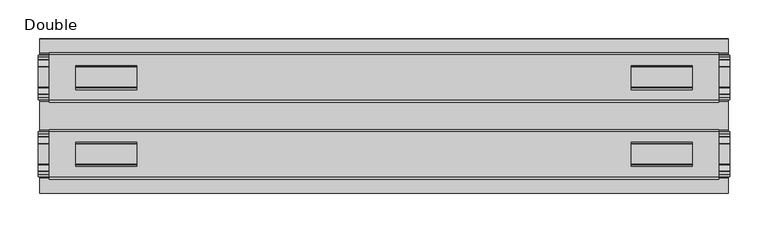
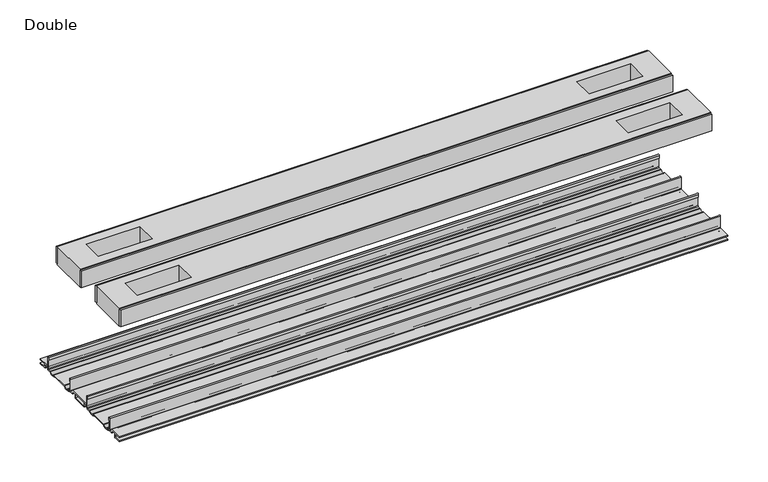
"""IFC4 building model written with IfcOpenShell, lengths in millimetres: proxy geometry, Double."""

from ifc_helpers import new_model, si_unit, point, frame, frame_2d, origin, place, context, project, spatial, polyline, circle_curve, trimmed, segment, composite_curve, outline, extrude, source, transform, mapped, element, save


def double_14c457a7(model_context):
    return source(origin(), model_context, "Body", "SweptSolid", [
        extrude(outline(composite_curve([segment(polyline([(-78.8225461, -7.7516037), (-78.8225461, 9.8607558)]), True, "CONTINUOUS"), segment(trimmed(circle_curve(frame_2d((-77.6033482, 9.8607558)), 1.2191979), [point((-78.8225461, 9.8607558))], [point((-76.3841503, 9.8607558))], False, "CARTESIAN"), True, "CONTINUOUS"), segment(polyline([(-76.3841503, 9.8607558), (-76.3841503, 5.9999563), (-77.6643269, 5.9999563), (-77.6643269, -7.7516037)]), True, "CONTINUOUS"), segment(trimmed(circle_curve(frame_2d((-76.6483061, -7.7516037)), 1.0160208), [point((-77.6643269, -7.7516037))], [point((-76.6548232, -8.7676036))], True, "CARTESIAN"), True, "CONTINUOUS"), segment(polyline([(-76.6548232, -8.7676036), (-72.7118726, -8.7676036), (-71.7985108, -8.968753)]), True, "CONTINUOUS"), segment(trimmed(circle_curve(frame_2d((-67.7735521, -6.1259382)), 4.9276657), [point((-71.7985108, -8.968753))], [point((-63.7485934, -8.968753))], True, "CARTESIAN"), True, "CONTINUOUS"), segment(polyline([(-63.7485934, -8.968753), (-62.8352226, -8.7676036), (-36.7962778, -8.7676036), (-35.8829069, -8.968753)]), True, "CONTINUOUS"), segment(trimmed(circle_curve(frame_2d((-31.8579482, -6.1259382)), 4.9276657), [point((-35.8829069, -8.968753))], [point((-27.8329895, -8.968753))], True, "CARTESIAN"), True, "CONTINUOUS"), segment(polyline([(-27.8329895, -8.968753), (-26.9196277, -8.7676036), (-22.9766772, -8.7676036)]), True, "CONTINUOUS"), segment(trimmed(circle_curve(frame_2d((-22.9831943, -7.7516037)), 1.0160208), [point((-22.9766772, -8.7676036))], [point((-21.9671735, -7.7516037))], True, "CARTESIAN"), True, "CONTINUOUS"), segment(polyline([(-21.9671735, -7.7516037), (-21.9671735, 5.9999563), (-23.2473501, 5.9999563), (-23.2473501, 9.8607558)]), True, "CONTINUOUS"), segment(trimmed(circle_curve(frame_2d((-22.0281522, 9.8607558)), 1.2191979), [point((-23.2473501, 9.8607558))], [point((-20.8089542, 9.8607558))], False, "CARTESIAN"), True, "CONTINUOUS"), segment(polyline([(-20.8089542, 9.8607558), (-20.8089542, -7.7516037)]), True, "CONTINUOUS"), segment(trimmed(circle_curve(frame_2d((-22.9831943, -7.7516037)), 2.17424), [point((-20.8089542, -7.7516037))], [point((-22.9831943, -9.9258438))], False, "CARTESIAN"), True, "CONTINUOUS"), segment(polyline([(-22.9831943, -9.9258438), (-27.274181, -9.9258438)]), True, "CONTINUOUS"), segment(trimmed(circle_curve(frame_2d((-31.8545955, -6.4800016)), 5.7318431), [point((-27.274181, -9.9258438))], [point((-36.43501, -9.9258438))], False, "CARTESIAN"), True, "CONTINUOUS"), segment(polyline([(-36.43501, -9.9258438), (-63.1964904, -9.9258438)]), True, "CONTINUOUS"), segment(trimmed(circle_curve(frame_2d((-67.7769049, -6.4800016)), 5.7318431), [point((-63.1964904, -9.9258438))], [point((-72.3573194, -9.9258438))], False, "CARTESIAN"), True, "CONTINUOUS"), segment(polyline([(-72.3573194, -9.9258438), (-76.6483061, -9.9258438)]), True, "CONTINUOUS"), segment(trimmed(circle_curve(frame_2d((-76.6483061, -7.7516037)), 2.17424), [point((-76.6483061, -9.9258438))], [point((-78.8225461, -7.7516037))], False, "CARTESIAN"), True, "CONTINUOUS")], self_intersect=False)), frame((-448.9044872, 0.0, 0.0), z_axis=(1.0, 0.0, 0.0), x_axis=(0.0, 1.0, 0.0)), (0.0, 0.0, 1.0), 897.8089744),
        extrude(outline(composite_curve([segment(trimmed(circle_curve(frame_2d((77.0293057, -7.7516037)), 2.17424), [point((79.2035458, -7.7516037))], [point((77.0293057, -9.9258438))], False, "CARTESIAN"), True, "CONTINUOUS"), segment(polyline([(77.0293057, -9.9258438), (72.738319, -9.9258438)]), True, "CONTINUOUS"), segment(trimmed(circle_curve(frame_2d((68.1579045, -6.4800016)), 5.7318431), [point((72.738319, -9.9258438))], [point((63.57749, -9.9258438))], False, "CARTESIAN"), True, "CONTINUOUS"), segment(polyline([(63.57749, -9.9258438), (36.8160096, -9.9258438)]), True, "CONTINUOUS"), segment(trimmed(circle_curve(frame_2d((32.2355951, -6.4800016)), 5.7318431), [point((36.8160096, -9.9258438))], [point((27.6551806, -9.9258438))], False, "CARTESIAN"), True, "CONTINUOUS"), segment(polyline([(27.6551806, -9.9258438), (23.3641939, -9.9258438)]), True, "CONTINUOUS"), segment(trimmed(circle_curve(frame_2d((23.3641939, -7.7516037)), 2.17424), [point((23.3641939, -9.9258438))], [point((21.1899539, -7.7516037))], False, "CARTESIAN"), True, "CONTINUOUS"), segment(polyline([(21.1899539, -7.7516037), (21.1899539, 9.8607558)]), True, "CONTINUOUS"), segment(trimmed(circle_curve(frame_2d((22.4091518, 9.8607558)), 1.2191979), [point((21.1899539, 9.8607558))], [point((23.6283497, 9.8607558))], False, "CARTESIAN"), True, "CONTINUOUS"), segment(polyline([(23.6283497, 9.8607558), (23.6283497, 5.9999563), (22.3481731, 5.9999563), (22.3481731, -7.7516037)]), True, "CONTINUOUS"), segment(trimmed(circle_curve(frame_2d((23.3641939, -7.7516037)), 1.0160208), [point((22.3481731, -7.7516037))], [point((23.3576768, -8.7676036))], True, "CARTESIAN"), True, "CONTINUOUS"), segment(polyline([(23.3576768, -8.7676036), (27.3006274, -8.7676036), (28.2139892, -8.968753)]), True, "CONTINUOUS"), segment(trimmed(circle_curve(frame_2d((32.2389479, -6.1259382)), 4.9276657), [point((28.2139892, -8.968753))], [point((36.2639066, -8.968753))], True, "CARTESIAN"), True, "CONTINUOUS"), segment(polyline([(36.2639066, -8.968753), (37.1772774, -8.7676036), (63.2162222, -8.7676036), (64.1295931, -8.968753)]), True, "CONTINUOUS"), segment(trimmed(circle_curve(frame_2d((68.1545518, -6.1259382)), 4.9276657), [point((64.1295931, -8.968753))], [point((72.1795105, -8.968753))], True, "CARTESIAN"), True, "CONTINUOUS"), segment(polyline([(72.1795105, -8.968753), (73.0928723, -8.7676036), (77.0358228, -8.7676036)]), True, "CONTINUOUS"), segment(trimmed(circle_curve(frame_2d((77.0293057, -7.7516037)), 1.0160208), [point((77.0358228, -8.7676036))], [point((78.0453265, -7.7516037))], True, "CARTESIAN"), True, "CONTINUOUS"), segment(polyline([(78.0453265, -7.7516037), (78.0453265, 5.9999563), (76.7651499, 5.9999563), (76.7651499, 9.8607558)]), True, "CONTINUOUS"), segment(trimmed(circle_curve(frame_2d((77.9843478, 9.8607558)), 1.2191979), [point((76.7651499, 9.8607558))], [point((79.2035458, 9.8607558))], False, "CARTESIAN"), True, "CONTINUOUS"), segment(polyline([(79.2035458, 9.8607558), (79.2035458, -7.7516037)]), True, "CONTINUOUS")], self_intersect=False)), frame((-448.9044872, 0.0, 0.0), z_axis=(1.0, 0.0, 0.0), x_axis=(0.0, 1.0, 0.0)), (0.0, 0.0, 1.0), 897.8089744),
        extrude(outline(polyline([(434.8455963, -78.8225461), (434.8455963, -81.9975522), (-434.8455963, -81.9975522), (-434.8455963, -78.8225461), (434.8455963, -78.8225461)])), frame((0.0, 0.0, 149.8401622), z_axis=(0.0, 0.0, 1.0), x_axis=(1.0, 0.0, 0.0)), (0.0, 0.0, 1.0), 25.3999939),
        extrude(outline(polyline([(434.8455963, -17.6339482), (434.8455963, -20.8089542), (-434.8455963, -20.8089542), (-434.8455963, -17.6339482), (434.8455963, -17.6339482)])), frame((0.0, 0.0, 149.8401622), z_axis=(0.0, 0.0, 1.0), x_axis=(1.0, 0.0, 0.0)), (0.0, 0.0, 1.0), 25.3999939),
        extrude(outline(polyline([(434.8455963, 21.1899493), (434.8455963, 18.0149501), (-434.8455963, 18.0149501), (-434.8455963, 21.1899493), (434.8455963, 21.1899493)])), frame((0.0, 0.0, 149.8401622), z_axis=(0.0, 0.0, 1.0), x_axis=(1.0, 0.0, 0.0)), (0.0, 0.0, 1.0), 25.3999939),
        extrude(outline(polyline([(434.8455963, 82.3785496), (434.8455963, 79.2035503), (-434.8455963, 79.2035503), (-434.8455963, 82.3785496), (434.8455963, 82.3785496)])), frame((0.0, 0.0, 149.8401622), z_axis=(0.0, 0.0, 1.0), x_axis=(1.0, 0.0, 0.0)), (0.0, 0.0, 1.0), 25.3999939),
        extrude(outline(polyline([(434.8455963, 79.2035503), (434.8455963, 21.1899493), (-434.8455963, 21.1899493), (-434.8455963, 79.2035503), (434.8455963, 79.2035503)]), holes=[polyline([(400.4285837, 65.3097536), (321.3837719, 65.3097536), (321.3837719, 34.3217468), (400.4285837, 34.3217468), (400.4285837, 65.3097536)]), polyline([(-400.4285837, 65.3097536), (-400.4285837, 34.3217468), (-321.3837719, 34.3217468), (-321.3837719, 65.3097536), (-400.4285837, 65.3097536)])]), frame((0.0, 0.0, 148.4185847), z_axis=(0.0, 0.0, 1.0), x_axis=(1.0, 0.0, 0.0)), (0.0, 0.0, 1.0), 27.9999988),
        extrude(outline(polyline([(434.8455963, -78.8225461), (-434.8455963, -78.8225461), (-434.8455963, -20.8224524), (434.8455963, -20.8224524), (434.8455963, -78.8225461)]), holes=[polyline([(400.4285837, -65.3097536), (400.4285837, -34.3217468), (321.3837719, -34.3217468), (321.3837719, -65.3097536), (400.4285837, -65.3097536)]), polyline([(-400.4285837, -65.3097536), (-321.3837719, -65.3097536), (-321.3837719, -34.3217468), (-400.4285837, -34.3217468), (-400.4285837, -65.3097536)])]), frame((0.0, 0.0, 148.4185847), z_axis=(0.0, 0.0, 1.0), x_axis=(1.0, 0.0, 0.0)), (0.0, 0.0, 1.0), 27.9999988),
        extrude(outline(composite_curve([segment(polyline([(-100.2730922, -13.9898438), (-100.2302711, -12.3388438), (-89.7890007, -12.3388438), (-89.7890007, -7.766844), (-100.2302711, -7.766844), (-100.2730922, -6.1158439), (-81.1847475, -6.1158439)]), True, "CONTINUOUS"), segment(trimmed(circle_curve(frame_2d((-81.1847475, -7.6398436)), 1.5239997), [point((-81.1847475, -6.1158439))], [point((-79.6607478, -7.6398436))], False, "CARTESIAN"), True, "CONTINUOUS"), segment(polyline([(-79.6607478, -7.6398436), (-79.6607478, -9.9258438), (-73.1120844, -9.9258438)]), True, "CONTINUOUS"), segment(trimmed(circle_curve(frame_2d((-67.7735521, -5.2268471)), 7.1119966), [point((-73.1120844, -9.9258438))], [point((-62.4350199, -9.9258438))], True, "CARTESIAN"), True, "CONTINUOUS"), segment(polyline([(-62.4350199, -9.9258438), (-37.1964805, -9.9258438)]), True, "CONTINUOUS"), segment(trimmed(circle_curve(frame_2d((-31.8579482, -5.2268471)), 7.1119966), [point((-37.1964805, -9.9258438))], [point((-26.519416, -9.9258438))], True, "CARTESIAN"), True, "CONTINUOUS"), segment(polyline([(-26.519416, -9.9258438), (-19.9707525, -9.9258438), (-19.9707525, -7.7656583)]), True, "CONTINUOUS"), segment(trimmed(circle_curve(frame_2d((-18.3197518, -7.7656583)), 1.6510007), [point((-19.9707525, -7.7656583))], [point((-18.3823282, -6.1158439))], False, "CARTESIAN"), True, "CONTINUOUS"), segment(polyline([(-18.3823282, -6.1158439), (18.7633278, -6.1158439)]), True, "CONTINUOUS"), segment(trimmed(circle_curve(frame_2d((18.7007515, -7.7656583)), 1.6510007), [point((18.7633278, -6.1158439))], [point((20.3517522, -7.7656583))], False, "CARTESIAN"), True, "CONTINUOUS"), segment(polyline([(20.3517522, -7.7656583), (20.3517522, -9.9258438), (26.9004156, -9.9258438)]), True, "CONTINUOUS"), segment(trimmed(circle_curve(frame_2d((32.2389479, -5.2268471)), 7.1119966), [point((26.9004156, -9.9258438))], [point((37.5774801, -9.9258438))], True, "CARTESIAN"), True, "CONTINUOUS"), segment(polyline([(37.5774801, -9.9258438), (62.8160195, -9.9258438)]), True, "CONTINUOUS"), segment(trimmed(circle_curve(frame_2d((68.1545518, -5.2268471)), 7.1119966), [point((62.8160195, -9.9258438))], [point((73.493084, -9.9258438))], True, "CARTESIAN"), True, "CONTINUOUS"), segment(polyline([(73.493084, -9.9258438), (80.0417475, -9.9258438), (80.0417475, -7.7656583)]), True, "CONTINUOUS"), segment(trimmed(circle_curve(frame_2d((81.6927482, -7.7656583)), 1.6510007), [point((80.0417475, -7.7656583))], [point((81.6301718, -6.1158439))], False, "CARTESIAN"), True, "CONTINUOUS"), segment(polyline([(81.6301718, -6.1158439), (100.6540918, -6.1158439), (100.6112708, -7.766844), (90.1700003, -7.766844), (90.1700003, -12.3388438), (100.6112708, -12.3388438), (100.6540918, -13.9898438), (90.0430018, -13.9898438)]), True, "CONTINUOUS"), segment(trimmed(circle_curve(frame_2d((90.0430018, -12.4658438)), 1.524), [point((90.0430018, -13.9898438))], [point((88.5190019, -12.4658438))], False, "CARTESIAN"), True, "CONTINUOUS"), segment(polyline([(88.5190019, -12.4658438), (88.5190019, -7.766844), (81.692747, -7.766844), (81.692747, -10.0528438)]), True, "CONTINUOUS"), segment(trimmed(circle_curve(frame_2d((80.1687471, -10.0528438)), 1.524), [point((81.692747, -10.0528438))], [point((80.1687471, -11.5768438))], False, "CARTESIAN"), True, "CONTINUOUS"), segment(polyline([(80.1687471, -11.5768438), (73.6626049, -11.5768438)]), True, "CONTINUOUS"), segment(trimmed(circle_curve(frame_2d((68.1545518, -6.4968436)), 7.4930002), [point((73.6626049, -11.5768438))], [point((62.8967468, -11.8354331))], False, "CARTESIAN"), True, "CONTINUOUS"), segment(polyline([(62.8967468, -11.8354331), (37.4967528, -11.8354331)]), True, "CONTINUOUS"), segment(trimmed(circle_curve(frame_2d((32.2389479, -6.4968436)), 7.4930002), [point((37.4967528, -11.8354331))], [point((26.7308947, -11.5768438))], False, "CARTESIAN"), True, "CONTINUOUS"), segment(polyline([(26.7308947, -11.5768438), (20.2247526, -11.5768438)]), True, "CONTINUOUS"), segment(trimmed(circle_curve(frame_2d((20.2247526, -10.0528438)), 1.524), [point((20.2247526, -11.5768438))], [point((18.7007526, -10.0528438))], False, "CARTESIAN"), True, "CONTINUOUS"), segment(polyline([(18.7007526, -10.0528438), (18.7007526, -7.766844), (11.8744978, -7.766844), (11.8744978, -12.4658438)]), True, "CONTINUOUS"), segment(trimmed(circle_curve(frame_2d((10.3504978, -12.4658438)), 1.524), [point((11.8744978, -12.4658438))], [point((10.3504978, -13.9898438))], False, "CARTESIAN"), True, "CONTINUOUS"), segment(polyline([(10.3504978, -13.9898438), (-9.9694982, -13.9898438)]), True, "CONTINUOUS"), segment(trimmed(circle_curve(frame_2d((-9.9694982, -12.4658438)), 1.524), [point((-9.9694982, -13.9898438))], [point((-11.4934981, -12.4658438))], False, "CARTESIAN"), True, "CONTINUOUS"), segment(polyline([(-11.4934981, -12.4658438), (-11.4934981, -7.766844), (-18.319753, -7.766844), (-18.319753, -10.0528438)]), True, "CONTINUOUS"), segment(trimmed(circle_curve(frame_2d((-19.8437529, -10.0528438)), 1.524), [point((-18.319753, -10.0528438))], [point((-19.8437529, -11.5768438))], False, "CARTESIAN"), True, "CONTINUOUS"), segment(polyline([(-19.8437529, -11.5768438), (-26.3498951, -11.5768438)]), True, "CONTINUOUS"), segment(trimmed(circle_curve(frame_2d((-31.8579482, -6.4968436)), 7.4930002), [point((-26.3498951, -11.5768438))], [point((-37.1157532, -11.8354331))], False, "CARTESIAN"), True, "CONTINUOUS"), segment(polyline([(-37.1157532, -11.8354331), (-62.5157472, -11.8354331)]), True, "CONTINUOUS"), segment(trimmed(circle_curve(frame_2d((-67.7735521, -6.4968436)), 7.4930002), [point((-62.5157472, -11.8354331))], [point((-73.2816053, -11.5768438))], False, "CARTESIAN"), True, "CONTINUOUS"), segment(polyline([(-73.2816053, -11.5768438), (-79.7877474, -11.5768438)]), True, "CONTINUOUS"), segment(trimmed(circle_curve(frame_2d((-79.7877474, -10.0528438)), 1.524), [point((-79.7877474, -11.5768438))], [point((-81.3117474, -10.0528438))], False, "CARTESIAN"), True, "CONTINUOUS"), segment(polyline([(-81.3117474, -10.0528438), (-81.3117474, -7.766844), (-88.1380022, -7.766844), (-88.1380022, -12.4658438)]), True, "CONTINUOUS"), segment(trimmed(circle_curve(frame_2d((-89.6620022, -12.4658438)), 1.524), [point((-88.1380022, -12.4658438))], [point((-89.6620022, -13.9898438))], False, "CARTESIAN"), True, "CONTINUOUS"), segment(polyline([(-89.6620022, -13.9898438), (-100.2730922, -13.9898438)]), True, "CONTINUOUS")], self_intersect=False), holes=[polyline([(-9.8424997, -12.3388438), (10.2234993, -12.3388438), (10.2234993, -7.766844), (-9.8424997, -7.766844), (-9.8424997, -12.3388438)])]), frame((-447.2534872, 0.0, 0.0), z_axis=(1.0, 0.0, 0.0), x_axis=(0.0, 1.0, 0.0)), (0.0, 0.0, 1.0), 894.5069744),
    ])


if __name__ == "__main__":
    model = new_model("IFC4")
    model_context = context("Model", 3, world=origin())
    ifc_project = project(units=[si_unit("LENGTHUNIT", "METRE", prefix="MILLI")], contexts=[model_context])
    site = spatial("IfcSite", under=ifc_project)
    building = spatial("IfcBuilding", under=site)
    placement = place(None, origin())
    double_shape = double_14c457a7(model_context)
    element("IfcBuildingElementProxy", 1, Name="Double", ObjectType="Double", at=placement, inside=building, context=model_context, shape_type="MappedRepresentation", body=[
        mapped(double_shape, transform((0.0, 0.0, 0.0), x_axis=(1.0, 0.0, 0.0), y_axis=(0.0, 1.0, 0.0), z_axis=(0.0, 0.0, 1.0))),
    ])
    save(model, "model.ifc")
